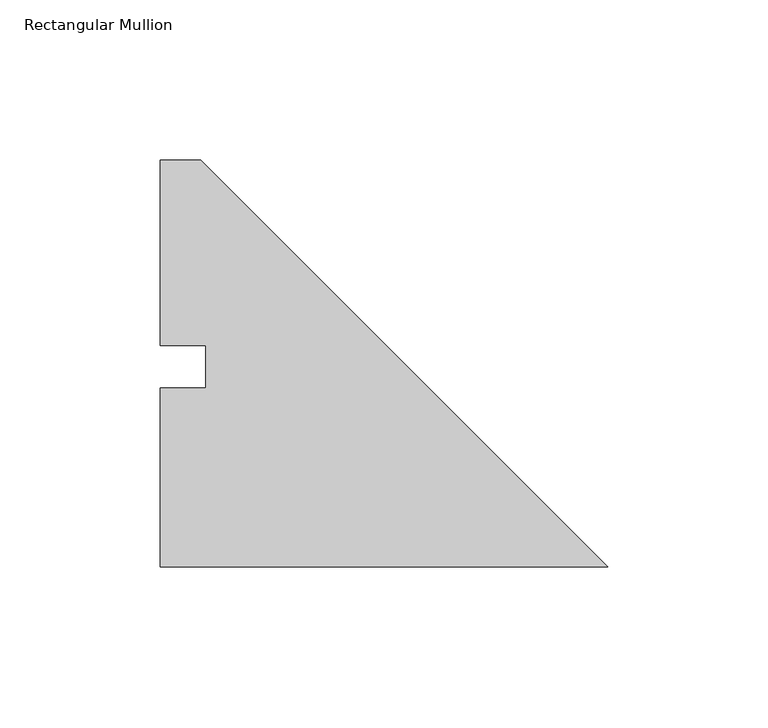
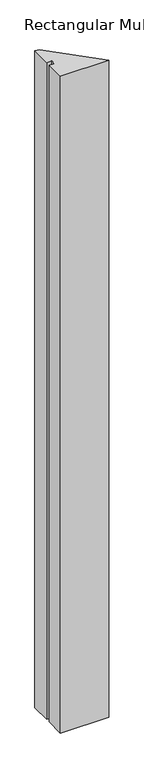
"""IFC4 building model written with IfcOpenShell, lengths in millimetres: member geometry, Rectangular Mullion."""

from ifc_helpers import new_model, si_unit, frame, origin, place, context, project, spatial, polyline, outline, extrude, source, transform, mapped, element, save


def rectangular_mullion_7f702c8c(model_context):
    return source(origin(), model_context, "Body", "SweptSolid", [
        extrude(outline(polyline([(-139.7, 127.00635), (-127.0, 127.00635), (0.0, 0.00635), (-139.7, 0.00635), (-139.7, 55.82285), (-125.4125, 55.82285), (-125.4125, 69.05625), (-139.7, 69.05625), (-139.7, 127.00635)])), frame((0.0, 0.0, -1997.075), z_axis=(0.0, 0.0, 1.0), x_axis=(1.0, 0.0, 0.0)), (0.0, 0.0, 1.0), 1997.075),
    ])


if __name__ == "__main__":
    model = new_model("IFC4")
    model_context = context("Model", 3, world=origin())
    ifc_project = project(units=[si_unit("LENGTHUNIT", "METRE", prefix="MILLI")], contexts=[model_context])
    site = spatial("IfcSite", under=ifc_project)
    building = spatial("IfcBuilding", under=site)
    placement = place(None, origin())
    rectangular_mullion_shape = rectangular_mullion_7f702c8c(model_context)
    element("IfcMember", 1, ObjectType="Rectangular Mullion", at=placement, inside=building, context=model_context, shape_type="MappedRepresentation", body=[
        mapped(rectangular_mullion_shape, transform((0.0, 0.0, 0.0), x_axis=(1.0, 0.0, 0.0), y_axis=(0.0, 1.0, 0.0), z_axis=(0.0, 0.0, 1.0))),
    ])
    save(model, "model.ifc")
